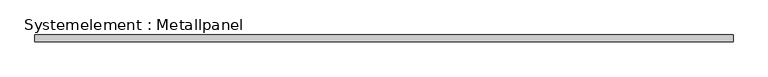
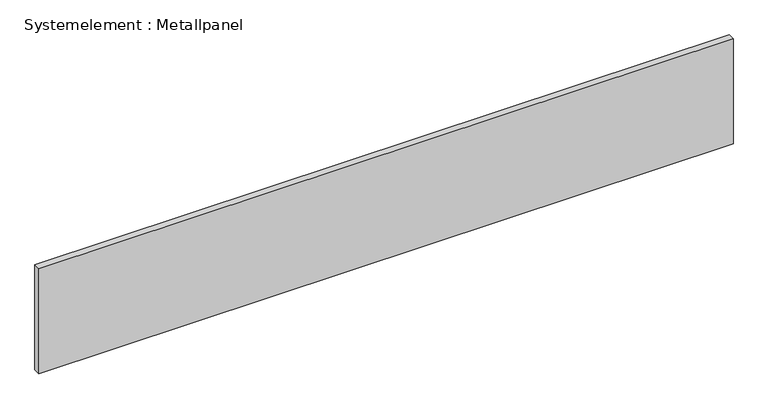
"""IFC4 building model written with IfcOpenShell, lengths in millimetres: plate geometry, Systemelement : Metallpanel."""

from ifc_helpers import new_model, si_unit, origin, origin_with_axes, place, context, project, spatial, polyline, outline, extrude, source, transform, mapped, element, save


def systemelement_metallpanel_c4c73470(model_context):
    return source(origin(), model_context, "Body", "SweptSolid", [
        extrude(outline(polyline([(1530.0321742, -15.0), (-1530.0321742, -15.0), (-1530.0321742, 15.0), (1530.0321742, 15.0), (1530.0321742, -15.0)])), origin_with_axes(), (0.0, 0.0, 1.0), 490.0),
    ])


if __name__ == "__main__":
    model = new_model("IFC4")
    model_context = context("Model", 3, world=origin())
    ifc_project = project(units=[si_unit("LENGTHUNIT", "METRE", prefix="MILLI")], contexts=[model_context])
    site = spatial("IfcSite", under=ifc_project)
    building = spatial("IfcBuilding", under=site)
    placement = place(None, origin())
    systemelement_metallpanel_shape = systemelement_metallpanel_c4c73470(model_context)
    element("IfcPlate", 1, ObjectType="Systemelement : Metallpanel", at=placement, inside=building, context=model_context, shape_type="MappedRepresentation", body=[
        mapped(systemelement_metallpanel_shape, transform((0.0, 0.0, 0.0), x_axis=(1.0, 0.0, 0.0), y_axis=(0.0, 1.0, 0.0), z_axis=(0.0, 0.0, 1.0))),
    ])
    save(model, "model.ifc")
